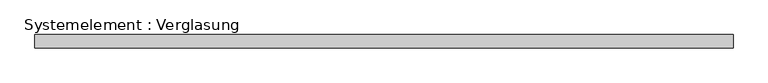
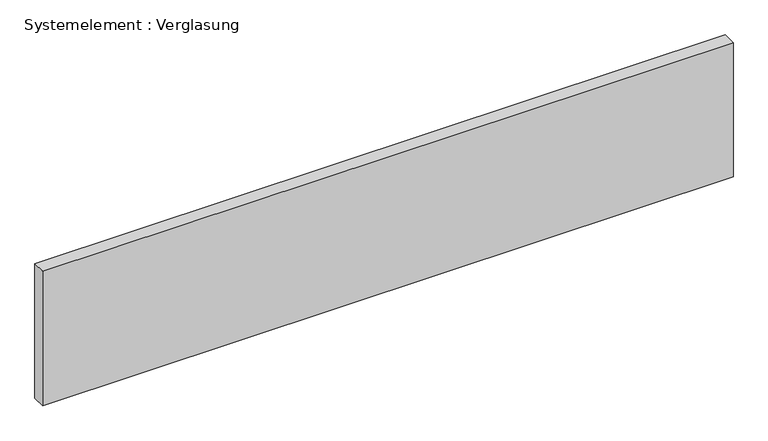
"""IFC4 building model written with IfcOpenShell, lengths in millimetres: plate geometry, Systemelement : Verglasung."""

from ifc_helpers import new_model, si_unit, origin, origin_with_axes, place, context, project, spatial, polyline, outline, extrude, source, transform, mapped, element, save


def systemelement_verglasung_8d33d625(model_context):
    return source(origin(), model_context, "Body", "SweptSolid", [
        extrude(outline(polyline([(780.0, -15.0), (-780.0, -15.0), (-780.0, 15.0), (780.0, 15.0), (780.0, -15.0)])), origin_with_axes(), (0.0, 0.0, 1.0), 321.1111111),
    ])


if __name__ == "__main__":
    model = new_model("IFC4")
    model_context = context("Model", 3, world=origin())
    ifc_project = project(units=[si_unit("LENGTHUNIT", "METRE", prefix="MILLI")], contexts=[model_context])
    site = spatial("IfcSite", under=ifc_project)
    building = spatial("IfcBuilding", under=site)
    placement = place(None, origin())
    systemelement_verglasung_shape = systemelement_verglasung_8d33d625(model_context)
    element("IfcPlate", 1, ObjectType="Systemelement : Verglasung", at=placement, inside=building, context=model_context, shape_type="MappedRepresentation", body=[
        mapped(systemelement_verglasung_shape, transform((0.0, 0.0, 0.0), x_axis=(1.0, 0.0, 0.0), y_axis=(0.0, 1.0, 0.0), z_axis=(0.0, 0.0, 1.0))),
    ])
    save(model, "model.ifc")
